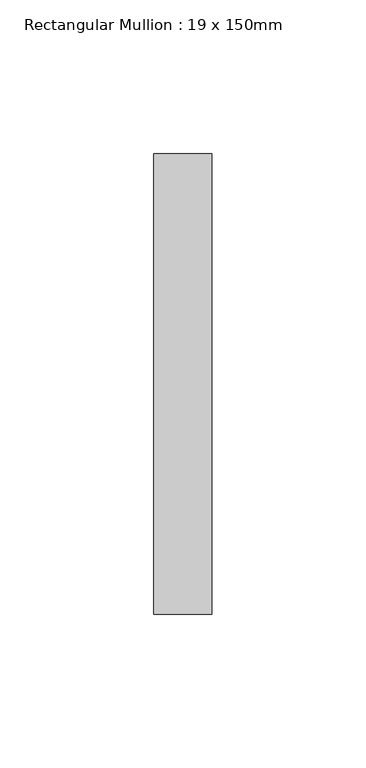
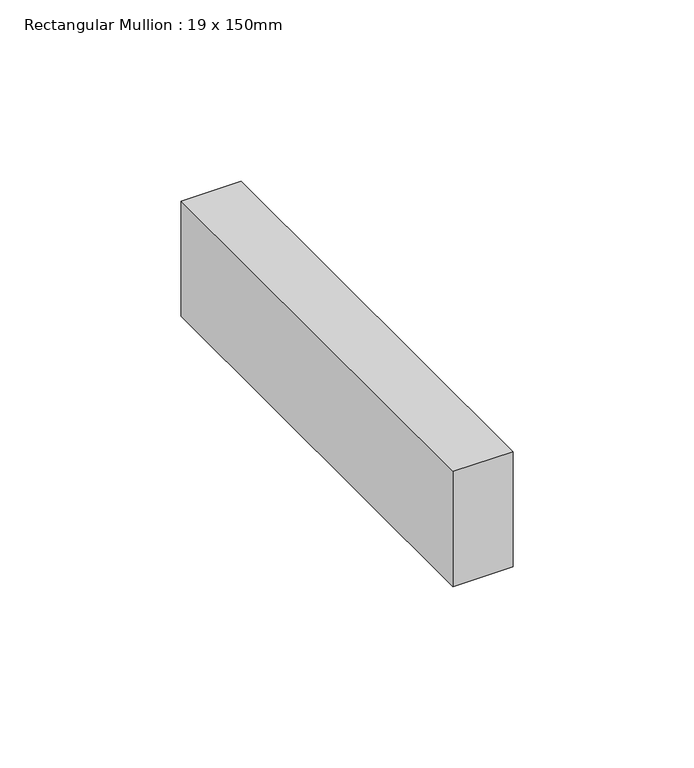
"""IFC4 building model written with IfcOpenShell, lengths in millimetres: member geometry, Rectangular Mullion : 19 x 150mm."""

import ifcopenshell
import ifcopenshell.guid

model = None  # the IFC model being written
_history = None  # IfcOwnerHistory: only IFC2X3 demands one
_inside = {}  # id of a spatial element -> (the spatial element, [elements in it])
_under = {}  # id of a project, library or spatial element -> (it, [spatial elements below it])
_declared = {}  # id of a project -> (the project, [libraries it declares])
_typed = {}  # id of a type object -> (the type object, [elements of that type])
_made_of = {}  # id of a material, layer set ... -> (it, [elements and type objects made of it])


def new_model(schema):
    """Start an empty IFC model of exactly this schema.

    Asked for "IFC4X3", IfcOpenShell would pick the latest addendum, in which some entities
    have other attributes; the version numbers below select the first issue.
    IFC2X3 requires an IfcOwnerHistory on every rooted entity: one is made here for all.
    """
    global model, _history
    if schema == "IFC4X3":
        model = ifcopenshell.file(schema_version=(4, 3, 0, 0))
    else:
        model = ifcopenshell.file(schema=schema)
    _inside.clear()
    _under.clear()
    _declared.clear()
    _typed.clear()
    _made_of.clear()
    _history = None
    if model.schema == "IFC2X3":
        org = make("IfcOrganization", Name="unknown")
        user = make(
            "IfcPersonAndOrganization",
            ThePerson=make("IfcPerson", FamilyName="unknown"),
            TheOrganization=org,
        )
        app = make(
            "IfcApplication",
            ApplicationDeveloper=org,
            Version="unknown",
            ApplicationFullName="unknown",
            ApplicationIdentifier="unknown",
        )
        _history = make(
            "IfcOwnerHistory",
            OwningUser=user,
            OwningApplication=app,
            ChangeAction="ADDED",
            CreationDate=0,
        )
    return model


def make(cls, **values):
    """One entity of the class cls with the attributes given. An attribute that is None is left unset."""
    return model.create_entity(
        cls, **{name: value for name, value in values.items() if value is not None}
    )


def rooted(cls, **values):
    """An entity with a GlobalId (a new one), such as an element, a storey or a relation."""
    return make(cls, GlobalId=ifcopenshell.guid.new(), OwnerHistory=_history, **values)


def si_unit(unit_type, name, prefix=None):
    """IfcSIUnit, for example si_unit("LENGTHUNIT", "METRE", prefix="MILLI")."""
    return make("IfcSIUnit", UnitType=unit_type, Prefix=prefix, Name=name)


def assignment(units):
    """IfcUnitAssignment: the units of a project."""
    return None if units is None else make("IfcUnitAssignment", Units=units)


def point(xyz):
    """IfcCartesianPoint."""
    return None if xyz is None else make("IfcCartesianPoint", Coordinates=xyz)


def direction(xyz):
    """IfcDirection."""
    return None if xyz is None else make("IfcDirection", DirectionRatios=xyz)


def frame(location, z_axis=None, x_axis=None):
    """IfcAxis2Placement3D, a coordinate frame: its origin and axes. An axis left out is left unset."""
    return make(
        "IfcAxis2Placement3D",
        Location=point(location),
        Axis=direction(z_axis),
        RefDirection=direction(x_axis),
    )


def origin():
    """The frame at (0, 0, 0) with its axes left unset."""
    return frame((0.0, 0.0, 0.0))


def place(relative_to, where):
    """IfcLocalPlacement: puts the frame where relative to a parent placement (None: the world)."""
    return make(
        "IfcLocalPlacement", PlacementRelTo=relative_to, RelativePlacement=where
    )


def context(
    kind, dimensions, precision=None, world=None, true_north=None, identifier=None
):
    """IfcGeometricRepresentationContext, for example the 3D "Model" context."""
    return make(
        "IfcGeometricRepresentationContext",
        ContextIdentifier=identifier,
        ContextType=kind,
        CoordinateSpaceDimension=dimensions,
        Precision=precision,
        WorldCoordinateSystem=world,
        TrueNorth=true_north,
    )


def project(units=None, contexts=None):
    """IfcProject with its units and contexts."""
    return rooted(
        "IfcProject",
        Name="project",
        RepresentationContexts=contexts,
        UnitsInContext=assignment(units),
    )


def spatial(cls, under=None, at=None, **own):
    """A site, building, storey or space (cls), placed at a placement, below another one or the project."""
    s = rooted(cls, ObjectPlacement=at, **own)
    if under is not None:
        _under.setdefault(under.id(), (under, []))[1].append(s)
    return s


def polyline(points):
    """IfcPolyline through the points."""
    return make("IfcPolyline", Points=[point(p) for p in points])


def outline(outer, holes=None, kind="AREA"):
    """IfcArbitraryClosedProfileDef: a profile drawn as a closed curve; with holes, ...WithVoids."""
    if holes is None:
        return make("IfcArbitraryClosedProfileDef", ProfileType=kind, OuterCurve=outer)
    return make(
        "IfcArbitraryProfileDefWithVoids",
        ProfileType=kind,
        OuterCurve=outer,
        InnerCurves=holes,
    )


def extrude(swept, where, along, depth):
    """IfcExtrudedAreaSolid: the profile swept, set in the frame where, extruded along a direction by depth."""
    return make(
        "IfcExtrudedAreaSolid",
        SweptArea=swept,
        Position=where,
        ExtrudedDirection=direction(along),
        Depth=depth,
    )


def shape(context_of_items, identifier, shape_type, items):
    """IfcShapeRepresentation: the items that make up one representation, for example the "Body"."""
    return make(
        "IfcShapeRepresentation",
        ContextOfItems=context_of_items,
        RepresentationIdentifier=identifier,
        RepresentationType=shape_type,
        Items=items,
    )


def source(mapping_origin, context_of_items, identifier, shape_type, items):
    """IfcRepresentationMap: a shape defined once, which mapped items show again and again."""
    return make(
        "IfcRepresentationMap",
        MappingOrigin=mapping_origin,
        MappedRepresentation=shape(context_of_items, identifier, shape_type, items),
    )


def transform(
    local_origin,
    x_axis=None,
    y_axis=None,
    z_axis=None,
    scale=None,
    scale2=None,
    scale3=None,
    uniform=True,
):
    """IfcCartesianTransformationOperator3D, or its non-uniform kind. x_axis, y_axis, z_axis: its Axis1, 2, 3."""
    if uniform:
        return make(
            "IfcCartesianTransformationOperator3D",
            Axis1=direction(x_axis),
            Axis2=direction(y_axis),
            LocalOrigin=point(local_origin),
            Scale=scale,
            Axis3=direction(z_axis),
        )
    return make(
        "IfcCartesianTransformationOperator3DnonUniform",
        Axis1=direction(x_axis),
        Axis2=direction(y_axis),
        LocalOrigin=point(local_origin),
        Scale=scale,
        Axis3=direction(z_axis),
        Scale2=scale2,
        Scale3=scale3,
    )


def mapped(mapping_source, mapping_target):
    """IfcMappedItem: shows the shape of a source again, moved by a transform."""
    return make(
        "IfcMappedItem", MappingSource=mapping_source, MappingTarget=mapping_target
    )


def made_of(thing, what):
    """Note that an element or type object is made of a material, layer set ...; save() writes the relation."""
    if what is not None:
        _made_of.setdefault(what.id(), (what, []))[1].append(thing)
    return thing


def element(
    cls,
    number,
    at=None,
    inside=None,
    cuts=None,
    type_object=None,
    material=None,
    context=None,
    identifier="Body",
    shape_type=None,
    held_by="IfcProductDefinitionShape",
    body=None,
    shapes=None,
    **own,
):
    """One element of the class cls, such as IfcWall. Its Tag is "e" and its number.

    at: its placement. inside: the storey or other place that contains it. cuts: it is an
    opening in that element (IfcRelVoidsElement). A single representation is given by context,
    identifier, shape_type and body (its items); several are given by shapes. held_by: the class
    of the entity that holds the representations. save() writes the other relations.
    """
    e = rooted(cls, Tag="e%d" % number, ObjectPlacement=at, **own)
    if body is not None:
        shapes = [shape(context, identifier, shape_type, body)]
    if shapes is not None:
        e.Representation = make(held_by, Representations=shapes)
    if inside is not None:
        _inside.setdefault(inside.id(), (inside, []))[1].append(e)
    if cuts is not None:
        rooted(
            "IfcRelVoidsElement", RelatingBuildingElement=cuts, RelatedOpeningElement=e
        )
    if type_object is not None:
        _typed.setdefault(type_object.id(), (type_object, []))[1].append(e)
    return made_of(e, material)


def aggregate(whole, parts):
    """IfcRelAggregates: a whole, such as a stair, and the parts it consists of."""
    return rooted("IfcRelAggregates", RelatingObject=whole, RelatedObjects=parts)


def save(model, path):
    """Write the relations noted so far, then the file.

    IfcRelAggregates (storeys below a building ...), IfcRelContainedInSpatialStructure (elements
    in a storey), IfcRelDefinesByType, IfcRelAssociatesMaterial and IfcRelDeclares: one each for
    every whole, place, type object, material and project.
    """
    for whole, parts in _under.values():
        aggregate(whole, parts)
    for where, things in _inside.values():
        rooted(
            "IfcRelContainedInSpatialStructure",
            RelatedElements=things,
            RelatingStructure=where,
        )
    for kind, things in _typed.values():
        rooted("IfcRelDefinesByType", RelatedObjects=things, RelatingType=kind)
    for what, things in _made_of.values():
        rooted("IfcRelAssociatesMaterial", RelatedObjects=things, RelatingMaterial=what)
    for by, libraries in _declared.values():
        rooted("IfcRelDeclares", RelatingContext=by, RelatedDefinitions=libraries)
    model.write(path)


def rectangular_mullion_19_x_150mm_9a898c56(model_context):
    return source(origin(), model_context, "Body", "SweptSolid", [
        extrude(outline(polyline([(0.0, -25.0), (0.0, -175.0), (-19.0, -175.0), (-19.0, -25.0), (0.0, -25.0)])), frame((0.0, 0.0, -38.8293645), z_axis=(0.0, 0.0, 1.0), x_axis=(1.0, 0.0, 0.0)), (0.0, 0.0, 1.0), 38.8293645),
    ])


if __name__ == "__main__":
    model = new_model("IFC4")
    model_context = context("Model", 3, world=origin())
    ifc_project = project(units=[si_unit("LENGTHUNIT", "METRE", prefix="MILLI")], contexts=[model_context])
    site = spatial("IfcSite", under=ifc_project)
    building = spatial("IfcBuilding", under=site)
    placement = place(None, origin())
    rectangular_mullion_19_x_150mm_shape = rectangular_mullion_19_x_150mm_9a898c56(model_context)
    element("IfcMember", 1, ObjectType="Rectangular Mullion : 19 x 150mm", at=placement, inside=building, context=model_context, shape_type="MappedRepresentation", body=[
        mapped(rectangular_mullion_19_x_150mm_shape, transform((0.0, 0.0, 0.0), x_axis=(1.0, 0.0, 0.0), y_axis=(0.0, 1.0, 0.0), z_axis=(0.0, 0.0, 1.0))),
    ])
    save(model, "model.ifc")
